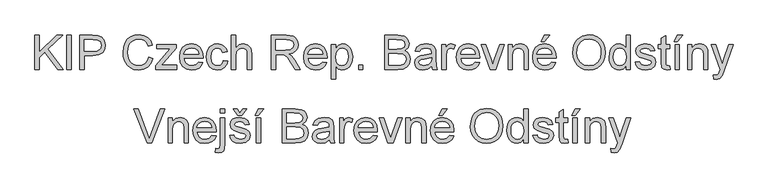
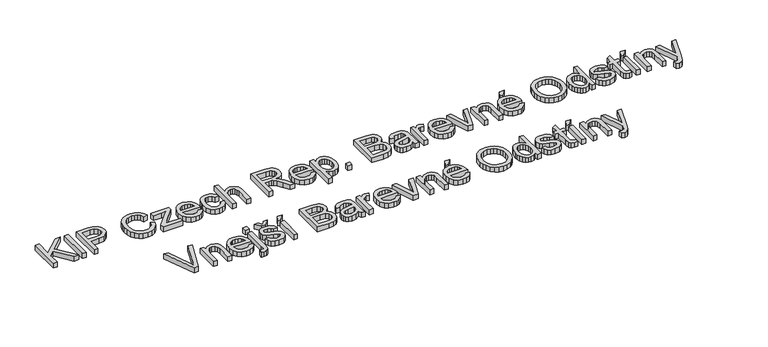
"""IFC4 building model written with IfcOpenShell, lengths in millimetres: proxy geometry."""

from ifc_helpers import new_model, si_unit, origin, origin_with_axes, place, context, project, spatial, polyline, outline, extrude, source, transform, mapped, element, save


def generic_models_737c64e8(model_context):
    return source(origin(), model_context, "Body", "SweptSolid", [
        extrude(outline(polyline([(-1036.2132158, 2253.480545), (-1096.1411928, 2404.1650102), (-1075.9812595, 2404.1650102), (-1035.8453338, 2295.6030335), (-1027.7151417, 2271.1388808), (-1019.6953142, 2295.6030335), (-979.449024, 2404.1650102), (-959.3258788, 2404.1650102), (-1016.7890465, 2253.480545), (-1036.2132158, 2253.480545)])), origin_with_axes(), (0.0, 0.0, 1.0), 25.0),
        extrude(outline(polyline([(-944.1323524, 2253.480545), (-944.1323524, 2364.1394492), (-925.2967943, 2364.1394492), (-925.2967943, 2348.6884054), (-910.8942142, 2362.0425218), (-891.2309215, 2366.4938939), (-873.443827, 2362.9070445), (-861.3037212, 2353.4892654), (-855.6567326, 2339.6385083), (-854.6634512, 2321.4283495), (-854.6634512, 2253.480545), (-873.4990093, 2253.480545), (-873.4990093, 2318.8899637), (-875.6695131, 2335.5550181), (-883.3398527, 2344.3657919), (-896.2709048, 2347.6583358), (-907.3027662, 2345.8097287), (-916.7067497, 2340.2639077), (-923.1492831, 2329.5493446), (-925.2967943, 2312.1945114), (-925.2967943, 2253.480545), (-944.1323524, 2253.480545)])), origin_with_axes(), (0.0, 0.0, 1.0), 25.0),
        extrude(outline(polyline([(-737.1251537, 2211.0269628), (-733.1888164, 2228.9428159), (-724.5068013, 2227.5816525), (-716.15588, 2231.3156548), (-713.396765, 2249.985666), (-713.396765, 2364.1394492), (-694.5612069, 2364.1394492), (-694.5612069, 2247.5576449), (-695.8947791, 2230.2671911), (-699.8954958, 2219.1571549), (-708.9086047, 2211.3488595), (-722.4098739, 2208.7460944), (-737.1251537, 2211.0269628)])), origin_with_axes(), (0.0, 0.0, 1.0), 25.0),
        extrude(outline(polyline([(-713.396765, 2385.3294521), (-713.396765, 2404.1650102), (-694.5612069, 2404.1650102), (-694.5612069, 2385.3294521), (-713.396765, 2385.3294521)])), origin_with_axes(), (0.0, 0.0, 1.0), 25.0),
        extrude(outline(polyline([(-751.2886106, 2286.4427718), (-732.8209344, 2284.088327), (-739.475, 2270.1731905), (-750.0929941, 2259.7713271), (-764.4357934, 2253.287407), (-782.2642745, 2251.1261002), (-804.3647854, 2254.855504), (-821.3701306, 2266.0437151), (-832.2134524, 2283.9641668), (-835.827893, 2307.8902921), (-832.1766642, 2332.6211592), (-821.2229778, 2351.1164265), (-804.4475589, 2362.6495271), (-783.3311323, 2366.4938939), (-762.8722949, 2362.6587241), (-746.5245387, 2351.1532147), (-735.8053771, 2332.6947356), (-732.2323232, 2308.0006567), (-732.3426878, 2302.9238852), (-816.9923349, 2302.9238852), (-813.7319807, 2288.8248077), (-806.1582101, 2278.4597325), (-795.2275163, 2272.0861769), (-781.8963925, 2269.9616584), (-763.4287164, 2273.8979957), (-751.2886106, 2286.4427718)]), holes=[polyline([(-816.9923349, 2321.7594433), (-751.0678814, 2321.7594433), (-753.6154642, 2331.7106513), (-758.6094623, 2338.8291679), (-769.5907398, 2345.4510438), (-783.4047087, 2347.6583358), (-796.1012361, 2345.8971007), (-806.5996685, 2340.6133956), (-813.8975276, 2332.3774374), (-816.9923349, 2321.7594433)])]), origin_with_axes(), (0.0, 0.0, 1.0), 25.0),
        extrude(outline(polyline([(-673.371204, 2286.4427718), (-654.5356458, 2288.7972165), (-651.5649987, 2280.7406008), (-645.8168425, 2274.8177007), (-625.8408502, 2269.9616584), (-606.63741, 2274.4130305), (-600.3834161, 2284.8608792), (-601.9561117, 2289.6617392), (-606.6741982, 2293.3221651), (-626.0615794, 2298.6932422), (-654.4252812, 2307.9086862), (-666.8045104, 2318.6692345), (-671.0167592, 2333.8627609), (-667.6322448, 2347.8974591), (-658.3984068, 2358.6212192), (-646.4238478, 2364.1946315), (-630.2186459, 2366.4938939), (-607.2995976, 2362.7966799), (-592.7314706, 2352.7902896), (-586.2567475, 2335.8861119), (-605.0923057, 2333.5316672), (-612.1740341, 2343.9243335), (-628.747118, 2347.6583358), (-646.7733357, 2344.0898804), (-652.181201, 2335.7757473), (-649.9371209, 2330.2943056), (-642.9105748, 2326.1372391), (-626.6869788, 2322.1273253), (-599.0406468, 2313.2613692), (-586.2015652, 2303.2181908), (-581.547858, 2286.847442), (-587.0109056, 2268.8212242), (-602.7746491, 2255.7430193), (-626.0983676, 2251.1261002), (-645.0902756, 2253.3517863), (-658.9502298, 2260.0288445), (-668.2024619, 2271.0836985), (-673.371204, 2286.4427718)])), origin_with_axes(), (0.0, 0.0, 1.0), 25.0),
        extrude(outline(polyline([(-628.6367534, 2385.3294521), (-615.6873071, 2404.1650102), (-596.851749, 2404.1650102), (-619.2189743, 2375.911673), (-638.0545324, 2375.911673), (-658.067313, 2404.1650102), (-639.2317548, 2404.1650102), (-628.6367534, 2385.3294521)])), origin_with_axes(), (0.0, 0.0, 1.0), 25.0),
        extrude(outline(polyline([(-555.6489655, 2253.480545), (-555.6489655, 2364.1394492), (-536.8134074, 2364.1394492), (-536.8134074, 2253.480545), (-555.6489655, 2253.480545)])), origin_with_axes(), (0.0, 0.0, 1.0), 25.0),
        extrude(outline(polyline([(-560.3578551, 2375.911673), (-546.2311864, 2404.1650102), (-522.6867387, 2404.1650102), (-546.2311864, 2375.911673), (-560.3578551, 2375.911673)])), origin_with_axes(), (0.0, 0.0, 1.0), 25.0),
        extrude(outline(polyline([(-440.2811718, 2253.480545), (-440.2811718, 2404.1650102), (-382.781216, 2404.1650102), (-354.6198493, 2399.7320322), (-345.1560849, 2394.1080362), (-337.9915831, 2386.1020043), (-331.9767124, 2366.8249877), (-337.0350899, 2349.2218342), (-352.3205868, 2335.8861119), (-341.6474104, 2330.3126997), (-333.7609401, 2321.8330197), (-328.8911022, 2311.008092), (-327.2678229, 2298.3989366), (-331.700801, 2278.1470328), (-342.6820785, 2263.7260586), (-359.0712214, 2256.0741131), (-383.2226744, 2253.480545), (-440.2811718, 2253.480545)]), holes=[polyline([(-421.4456137, 2342.9494462), (-387.0486471, 2342.9494462), (-366.9622902, 2344.568127), (-354.8773666, 2351.5394908), (-350.8122706, 2363.8083554), (-354.6014552, 2376.095614), (-365.453974, 2383.3612834), (-389.6606093, 2385.3294521), (-421.4456137, 2385.3294521), (-421.4456137, 2342.9494462)]), polyline([(-421.4456137, 2272.3161032), (-382.8180042, 2272.3161032), (-368.8384884, 2273.0518671), (-357.0110822, 2277.1537514), (-349.1751957, 2285.5230668), (-346.1033811, 2298.2149956), (-349.7086246, 2312.856699), (-361.388878, 2321.5938964), (-384.6574142, 2324.1138881), (-421.4456137, 2324.1138881), (-421.4456137, 2272.3161032)])]), origin_with_axes(), (0.0, 0.0, 1.0), 25.0),
        extrude(outline(polyline([(-233.0900321, 2267.6072136), (-251.3553732, 2254.8417084), (-271.5337006, 2251.1261002), (-287.2744515, 2253.3609834), (-298.885727, 2260.0656327), (-306.0456303, 2270.2467669), (-308.4322648, 2282.9111046), (-304.8270212, 2297.8103254), (-295.3540598, 2308.6260561), (-282.1654903, 2314.8064736), (-265.8683179, 2317.639165), (-233.2003967, 2324.1138881), (-233.0900321, 2328.3077428), (-234.3868162, 2336.7138464), (-238.2771683, 2342.2136822), (-246.9775775, 2346.2971724), (-259.0992892, 2347.6583358), (-278.1555766, 2344.0346981), (-287.2422618, 2331.1772224), (-306.07782, 2333.5316672), (-297.9292338, 2351.9257669), (-281.5216968, 2362.7047094), (-256.671268, 2366.4938939), (-233.8441902, 2363.1461678), (-220.9499263, 2354.7400642), (-215.174179, 2341.9561648), (-214.254474, 2325.4750515), (-214.254474, 2302.0409684), (-213.2979808, 2269.3178649), (-209.5455845, 2253.480545), (-228.3811426, 2253.480545), (-233.0900321, 2267.6072136)]), holes=[polyline([(-233.0900321, 2305.2783299), (-263.4770849, 2299.5025826), (-279.6822868, 2296.449162), (-287.0215326, 2291.4827551), (-289.5967066, 2284.2354798), (-283.9865062, 2274.0451485), (-267.5237869, 2269.9616584), (-248.4674995, 2274.4682128), (-236.1802409, 2285.375914), (-233.2003967, 2299.944041), (-233.0900321, 2305.2783299)])]), origin_with_axes(), (0.0, 0.0, 1.0), 25.0),
        extrude(outline(polyline([(-188.3555815, 2253.480545), (-188.3555815, 2364.1394492), (-171.8744681, 2364.1394492), (-171.8744681, 2347.7687004), (-160.1758207, 2362.8518622), (-148.4035969, 2366.4938939), (-129.4944623, 2360.6813584), (-135.7852444, 2343.7955748), (-149.0289962, 2347.6583358), (-159.67918, 2343.9427276), (-166.4666028, 2333.6420318), (-169.5200234, 2311.6426884), (-169.5200234, 2253.480545), (-188.3555815, 2253.480545)])), origin_with_axes(), (0.0, 0.0, 1.0), 25.0),
        extrude(outline(polyline([(-40.2462903, 2286.4427718), (-21.7786141, 2284.088327), (-28.4326797, 2270.1731905), (-39.0506738, 2259.7713271), (-53.3934731, 2253.287407), (-71.2219543, 2251.1261002), (-93.3224651, 2254.855504), (-110.3278104, 2266.0437151), (-121.1711322, 2283.9641668), (-124.7855728, 2307.8902921), (-121.134344, 2332.6211592), (-110.1806576, 2351.1164265), (-93.4052386, 2362.6495271), (-72.2888121, 2366.4938939), (-51.8299746, 2362.6587241), (-35.4822184, 2351.1532147), (-24.7630568, 2332.6947356), (-21.1900029, 2308.0006567), (-21.3003675, 2302.9238852), (-105.9500146, 2302.9238852), (-102.6896604, 2288.8248077), (-95.1158899, 2278.4597325), (-84.1851961, 2272.0861769), (-70.8540723, 2269.9616584), (-52.3863961, 2273.8979957), (-40.2462903, 2286.4427718)]), holes=[polyline([(-105.9500146, 2321.7594433), (-40.0255611, 2321.7594433), (-42.5731439, 2331.7106513), (-47.567142, 2338.8291679), (-58.5484195, 2345.4510438), (-72.3623885, 2347.6583358), (-85.0589158, 2345.8971007), (-95.5573482, 2340.6133956), (-102.8552073, 2332.3774374), (-105.9500146, 2321.7594433)])]), origin_with_axes(), (0.0, 0.0, 1.0), 25.0),
        extrude(outline(polyline([(24.8688229, 2253.480545), (-14.1266686, 2364.1394492), (5.7757473, 2364.1394492), (29.3937714, 2297.8471136), (36.4938939, 2275.5534647), (43.4468636, 2296.5963148), (67.1752523, 2364.1394492), (87.1144565, 2364.1394492), (48.670788, 2253.480545), (24.8688229, 2253.480545)])), origin_with_axes(), (0.0, 0.0, 1.0), 25.0),
        extrude(outline(polyline([(103.5955698, 2253.480545), (103.5955698, 2364.1394492), (122.431128, 2364.1394492), (122.431128, 2348.6884054), (136.8337081, 2362.0425218), (156.4970007, 2366.4938939), (174.2840952, 2362.9070445), (186.4242011, 2353.4892654), (192.0711897, 2339.6385083), (193.0644711, 2321.4283495), (193.0644711, 2253.480545), (174.2289129, 2253.480545), (174.2289129, 2318.8899637), (172.0584091, 2335.5550181), (164.3880695, 2344.3657919), (151.4570174, 2347.6583358), (140.4251561, 2345.8097287), (131.0211726, 2340.2639077), (124.5786391, 2329.5493446), (122.431128, 2312.1945114), (122.431128, 2253.480545), (103.5955698, 2253.480545)])), origin_with_axes(), (0.0, 0.0, 1.0), 25.0),
        extrude(outline(polyline([(296.4393117, 2286.4427718), (314.9069879, 2284.088327), (308.2529223, 2270.1731905), (297.6349282, 2259.7713271), (283.2921289, 2253.287407), (265.4636477, 2251.1261002), (243.3631369, 2254.855504), (226.3577916, 2266.0437151), (215.5144698, 2283.9641668), (211.9000292, 2307.8902921), (215.551258, 2332.6211592), (226.5049444, 2351.1164265), (243.2803634, 2362.6495271), (264.3967899, 2366.4938939), (284.8556274, 2362.6587241), (301.2033836, 2351.1532147), (311.9225452, 2332.6947356), (315.4955991, 2308.0006567), (315.3852345, 2302.9238852), (230.7355874, 2302.9238852), (233.9959416, 2288.8248077), (241.5697121, 2278.4597325), (252.5004059, 2272.0861769), (265.8315297, 2269.9616584), (284.2992059, 2273.8979957), (296.4393117, 2286.4427718)]), holes=[polyline([(230.7355874, 2321.7594433), (296.6600409, 2321.7594433), (294.1124581, 2331.7106513), (289.11846, 2338.8291679), (278.1371825, 2345.4510438), (264.3232135, 2347.6583358), (251.6266862, 2345.8971007), (241.1282537, 2340.6133956), (233.8303947, 2332.3774374), (230.7355874, 2321.7594433)])]), origin_with_axes(), (0.0, 0.0, 1.0), 25.0),
        extrude(outline(polyline([(249.5711455, 2375.911673), (263.6978141, 2404.1650102), (287.2422618, 2404.1650102), (263.6978141, 2375.911673), (249.5711455, 2375.911673)])), origin_with_axes(), (0.0, 0.0, 1.0), 25.0),
        extrude(outline(polyline([(388.4833869, 2326.8362148), (393.5049761, 2360.1571266), (399.7819627, 2373.7756582), (408.5697438, 2385.3662403), (431.5715656, 2401.2311513), (460.404317, 2406.519455), (480.1687772, 2404.0362515), (497.8914923, 2396.5866411), (512.6067721, 2384.6948556), (523.3489263, 2368.8851269), (529.91562, 2349.92081), (532.1045178, 2328.5652602), (529.8006568, 2306.9246019), (522.8890738, 2287.6935706), (511.7514464, 2271.8562507), (496.7694522, 2260.3967265), (479.1984884, 2253.4437568), (460.2939524, 2251.1261002), (440.2259895, 2253.6874786), (422.4021069, 2261.3716138), (407.7236153, 2273.4841285), (397.0918256, 2289.3306454), (390.6354966, 2307.5637968), (388.4833869, 2326.8362148)]), holes=[polyline([(407.3189451, 2326.6522738), (411.085137, 2303.080235), (422.3837128, 2285.1183966), (439.3660654, 2273.7508429), (460.1835878, 2269.9616584), (481.3046128, 2273.7876311), (498.3145566, 2285.2655494), (509.5303589, 2303.7792108), (513.2689597, 2328.712413), (511.668673, 2345.3866644), (506.867813, 2359.7984416), (498.9905397, 2371.584461), (488.1610135, 2380.3814392), (475.0966041, 2385.8582824), (460.5146816, 2387.6838968), (440.2535807, 2384.1660253), (423.0275063, 2373.6124105), (411.2460854, 2354.8366332), (407.3189451, 2326.6522738)])]), origin_with_axes(), (0.0, 0.0, 1.0), 25.0),
        extrude(outline(polyline([(623.9278638, 2253.480545), (623.9278638, 2271.2492454), (611.4658612, 2256.1568865), (594.2397868, 2251.1261002), (582.0628928, 2252.9471161), (570.9160683, 2258.4101637), (561.4798951, 2267.1335655), (554.4349549, 2278.735644), (550.0479621, 2292.7473495), (548.5856312, 2308.6996325), (553.9751024, 2338.6820151), (560.7073429, 2350.5738006), (570.125122, 2359.320195), (581.5156683, 2364.7004692), (594.1662104, 2366.4938939), (611.5302406, 2361.3619401), (623.9278638, 2348.0262178), (623.9278638, 2404.1650102), (642.763422, 2404.1650102), (642.763422, 2253.480545), (623.9278638, 2253.480545)]), holes=[polyline([(567.4211894, 2308.7732089), (569.5457079, 2291.735674), (575.9192634, 2279.6185608), (585.1806927, 2272.375884), (595.9688322, 2269.9616584), (606.7523732, 2272.2655194), (615.7792776, 2279.1771024), (621.8907173, 2290.825166), (623.9278638, 2307.3384691), (621.8539291, 2325.392278), (615.6321248, 2337.9094629), (606.3752941, 2345.2211176), (595.19628, 2347.6583358), (584.2977759, 2345.3176866), (575.3674405, 2338.295739), (569.4077521, 2326.2338081), (567.4211894, 2308.7732089)])]), origin_with_axes(), (0.0, 0.0, 1.0), 25.0),
        extrude(outline(polyline([(663.9534249, 2286.4427718), (682.788983, 2288.7972165), (685.7596302, 2280.7406008), (691.5077863, 2274.8177007), (711.4837787, 2269.9616584), (730.6872188, 2274.4130305), (736.9412127, 2284.8608792), (735.3685172, 2289.6617392), (730.6504306, 2293.3221651), (711.2630495, 2298.6932422), (682.8993476, 2307.9086862), (670.5201185, 2318.6692345), (666.3078697, 2333.8627609), (669.692384, 2347.8974591), (678.9262221, 2358.6212192), (690.900781, 2364.1946315), (707.1059829, 2366.4938939), (730.0250312, 2362.7966799), (744.5931582, 2352.7902896), (751.0678814, 2335.8861119), (732.2323232, 2333.5316672), (725.1505948, 2343.9243335), (708.5775109, 2347.6583358), (690.5512931, 2344.0898804), (685.1434278, 2335.7757473), (687.387508, 2330.2943056), (694.4140541, 2326.1372391), (710.6376501, 2322.1273253), (738.283982, 2313.2613692), (751.1230637, 2303.2181908), (755.7767709, 2286.847442), (750.3137233, 2268.8212242), (734.5499798, 2255.7430193), (711.2262613, 2251.1261002), (692.2343533, 2253.3517863), (678.3743991, 2260.0288445), (669.1221669, 2271.0836985), (663.9534249, 2286.4427718)])), origin_with_axes(), (0.0, 0.0, 1.0), 25.0),
        extrude(outline(polyline([(816.9923349, 2269.1891062), (819.3467797, 2252.928722), (805.2568992, 2251.1261002), (789.4747616, 2254.2530972), (781.602087, 2262.4568657), (779.3212186, 2283.8308096), (779.3212186, 2345.303891), (765.19455, 2345.303891), (765.19455, 2364.1394492), (779.3212186, 2364.1394492), (779.3212186, 2391.031623), (798.1567767, 2402.1048711), (798.1567767, 2364.1394492), (816.9923349, 2364.1394492), (816.9923349, 2345.303891), (798.1567767, 2345.303891), (798.1567767, 2284.3826326), (799.1500581, 2274.6705479), (802.3690256, 2271.2308513), (808.7885664, 2269.9616584), (816.9923349, 2269.1891062)])), origin_with_axes(), (0.0, 0.0, 1.0), 25.0),
        extrude(outline(polyline([(840.5367826, 2253.480545), (840.5367826, 2364.1394492), (859.3723407, 2364.1394492), (859.3723407, 2253.480545), (840.5367826, 2253.480545)])), origin_with_axes(), (0.0, 0.0, 1.0), 25.0),
        extrude(outline(polyline([(835.827893, 2375.911673), (849.9545617, 2404.1650102), (873.4990093, 2404.1650102), (849.9545617, 2375.911673), (835.827893, 2375.911673)])), origin_with_axes(), (0.0, 0.0, 1.0), 25.0),
        extrude(outline(polyline([(894.6890123, 2253.480545), (894.6890123, 2364.1394492), (913.5245704, 2364.1394492), (913.5245704, 2348.6884054), (927.9271505, 2362.0425218), (947.5904432, 2366.4938939), (965.3775376, 2362.9070445), (977.5176435, 2353.4892654), (983.1646321, 2339.6385083), (984.1579135, 2321.4283495), (984.1579135, 2253.480545), (965.3223553, 2253.480545), (965.3223553, 2318.8899637), (963.1518516, 2335.5550181), (955.481512, 2344.3657919), (942.5504598, 2347.6583358), (931.5185985, 2345.8097287), (922.114615, 2340.2639077), (915.6720816, 2329.5493446), (913.5245704, 2312.1945114), (913.5245704, 2253.480545), (894.6890123, 2253.480545)])), origin_with_axes(), (0.0, 0.0, 1.0), 25.0),
        extrude(outline(polyline([(1010.056806, 2211.1005392), (1007.7023612, 2229.2371215), (1017.2672931, 2227.5816525), (1026.2068255, 2229.6601858), (1031.6882673, 2235.4543272), (1036.8386152, 2249.3234785), (1038.3101432, 2253.8852152), (998.2845821, 2364.1394492), (1018.1134217, 2364.1394492), (1039.377001, 2302.6663678), (1046.7714291, 2278.0918505), (1054.1658572, 2299.8336764), (1075.9812595, 2364.1394492), (1095.6629462, 2364.1394492), (1057.1457013, 2250.8317946), (1047.1393111, 2226.2572774), (1036.2132158, 2212.9767373), (1021.5715124, 2208.7460944), (1010.056806, 2211.1005392)])), origin_with_axes(), (0.0, 0.0, 1.0), 25.0),
        extrude(outline(polyline([(-1531.5663223, 2578.480545), (-1531.5663223, 2729.1650102), (-1512.7307642, 2729.1650102), (-1512.7307642, 2655.4046702), (-1435.4755452, 2729.1650102), (-1409.1351943, 2729.1650102), (-1474.0295783, 2667.2136822), (-1406.7807496, 2578.480545), (-1429.8101625, 2578.480545), (-1487.3836947, 2654.4849652), (-1512.7307642, 2630.2783299), (-1512.7307642, 2578.480545), (-1531.5663223, 2578.480545)])), origin_with_axes(), (0.0, 0.0, 1.0), 25.0),
        extrude(outline(polyline([(-1390.2996362, 2578.480545), (-1390.2996362, 2729.1650102), (-1371.464078, 2729.1650102), (-1371.464078, 2578.480545), (-1390.2996362, 2578.480545)])), origin_with_axes(), (0.0, 0.0, 1.0), 25.0),
        extrude(outline(polyline([(-1333.7929617, 2578.480545), (-1333.7929617, 2729.1650102), (-1277.9484748, 2729.1650102), (-1255.4340967, 2727.7302704), (-1237.1319675, 2720.6853302), (-1225.2677731, 2706.1172032), (-1220.7796128, 2685.5709938), (-1223.8100407, 2667.8114905), (-1232.9013245, 2653.0134372), (-1249.9020712, 2643.0254411), (-1276.6608879, 2639.696109), (-1314.9574036, 2639.696109), (-1314.9574036, 2578.480545), (-1333.7929617, 2578.480545)]), holes=[polyline([(-1314.9574036, 2658.5316672), (-1275.5572419, 2658.5316672), (-1258.8553993, 2660.2607125), (-1247.8189394, 2665.4478487), (-1241.6661131, 2673.7711788), (-1239.6151709, 2684.9088062), (-1244.4528192, 2700.5070028), (-1257.1631421, 2709.0418651), (-1275.9987003, 2710.3294521), (-1314.9574036, 2710.3294521), (-1314.9574036, 2658.5316672)])]), origin_with_axes(), (0.0, 0.0, 1.0), 25.0),
        extrude(outline(polyline([(-1030.0695865, 2632.0441635), (-1011.2340283, 2627.1881212), (-1019.9252405, 2605.2393616), (-1033.5644654, 2589.2043052), (-1051.4803186, 2579.3956515), (-1073.0014153, 2576.1261002), (-1094.8490073, 2578.6001067), (-1112.1992419, 2586.0221259), (-1125.498176, 2598.1346406), (-1135.1918666, 2614.6801333), (-1141.1101682, 2634.1318938), (-1143.0829354, 2654.9632118), (-1140.8526508, 2676.934964), (-1134.161797, 2695.9084779), (-1123.3598619, 2711.2813467), (-1108.7963335, 2722.4511638), (-1091.5242738, 2729.2523822), (-1072.5967451, 2731.519455), (-1051.9447696, 2728.5855961), (-1034.8704465, 2719.7840194), (-1021.9072047, 2705.6573507), (-1013.5884731, 2686.7482162), (-1032.4240313, 2682.2600558), (-1038.9539367, 2695.9958498), (-1047.8750751, 2705.4182274), (-1059.297811, 2710.8674795), (-1073.3325091, 2712.6838968), (-1089.5101199, 2710.6697429), (-1102.7998569, 2704.6272811), (-1112.8844221, 2695.191108), (-1119.4465172, 2682.9958198), (-1124.2473773, 2655.0), (-1122.8264331, 2637.5991816), (-1118.5636004, 2622.552808), (-1111.297931, 2610.4356948), (-1100.8684765, 2601.8226576), (-1088.3650872, 2596.6769082), (-1074.8776135, 2594.9616584), (-1059.1552567, 2597.2977091), (-1046.0540592, 2604.3058611), (-1036.162632, 2615.912538), (-1030.0695865, 2632.0441635)])), origin_with_axes(), (0.0, 0.0, 1.0), 25.0),
        extrude(outline(polyline([(-999.4618045, 2578.480545), (-999.4618045, 2596.2124572), (-934.4570559, 2670.303891), (-953.6972843, 2670.303891), (-994.752915, 2670.303891), (-994.752915, 2689.1394492), (-907.6384585, 2689.1394492), (-907.6384585, 2673.1365824), (-965.2855671, 2607.3960698), (-974.114735, 2597.3161032), (-952.3361209, 2597.3161032), (-905.2840137, 2597.3161032), (-905.2840137, 2578.480545), (-999.4618045, 2578.480545)])), origin_with_axes(), (0.0, 0.0, 1.0), 25.0),
        extrude(outline(polyline([(-808.9725074, 2611.4427718), (-790.5048312, 2609.088327), (-797.1588968, 2595.1731905), (-807.7768909, 2584.7713271), (-822.1196902, 2578.287407), (-839.9481714, 2576.1261002), (-862.0486822, 2579.855504), (-879.0540275, 2591.0437151), (-889.8973493, 2608.9641668), (-893.5117899, 2632.8902921), (-889.8605611, 2657.6211592), (-878.9068747, 2676.1164265), (-862.1314557, 2687.6495271), (-841.0150292, 2691.4938939), (-820.5561917, 2687.6587241), (-804.2084356, 2676.1532147), (-793.4892739, 2657.6947356), (-789.91622, 2633.0006567), (-790.0265846, 2627.9238852), (-874.6762317, 2627.9238852), (-871.4158776, 2613.8248077), (-863.842107, 2603.4597325), (-852.9114132, 2597.0861769), (-839.5802894, 2594.9616584), (-821.1126132, 2598.8979957), (-808.9725074, 2611.4427718)]), holes=[polyline([(-874.6762317, 2646.7594433), (-808.7517782, 2646.7594433), (-811.299361, 2656.7106513), (-816.2933591, 2663.8291679), (-827.2746367, 2670.4510438), (-841.0886056, 2672.6583358), (-853.7851329, 2670.8971007), (-864.2835654, 2665.6133956), (-871.5814244, 2657.3774374), (-874.6762317, 2646.7594433)])]), origin_with_axes(), (0.0, 0.0, 1.0), 25.0),
        extrude(outline(polyline([(-700.4473188, 2618.5061061), (-681.6117607, 2616.1516613), (-686.8632761, 2599.399235), (-696.7317107, 2586.7394958), (-710.2881622, 2578.7794491), (-726.6037287, 2576.1261002), (-746.6395018, 2579.8279128), (-762.3066763, 2590.9333505), (-772.4188326, 2608.9549698), (-775.7895514, 2633.4053269), (-774.3502131, 2650.1669503), (-770.0321982, 2664.6936906), (-762.7665288, 2676.4245277), (-752.484227, 2684.7984416), (-740.1831728, 2689.8200308), (-726.8612461, 2691.4938939), (-710.9457513, 2689.1946315), (-698.2216327, 2682.296844), (-689.0935607, 2671.1684137), (-683.9662054, 2656.1772224), (-702.8017636, 2653.8227776), (-711.538961, 2667.9310521), (-726.7140933, 2672.6583358), (-738.8863888, 2670.3314821), (-748.5478897, 2663.3509213), (-754.8524674, 2651.3395741), (-756.9539933, 2633.9203617), (-754.8984526, 2616.2666244), (-748.7318307, 2604.2138906), (-739.2450737, 2597.2747164), (-727.2291281, 2594.9616584), (-717.4756567, 2596.4055952), (-709.4788218, 2600.7374057), (-703.6616877, 2608.0674545), (-700.4473188, 2618.5061061)])), origin_with_axes(), (0.0, 0.0, 1.0), 25.0),
        extrude(outline(polyline([(-665.1306473, 2578.480545), (-665.1306473, 2729.1650102), (-646.2950891, 2729.1650102), (-646.2950891, 2673.7619818), (-631.6074005, 2687.0609159), (-613.5168034, 2691.4938939), (-592.3635886, 2686.6562457), (-579.524507, 2673.2837352), (-575.6617461, 2648.5252769), (-575.6617461, 2578.480545), (-594.4973042, 2578.480545), (-594.4973042, 2646.5755023), (-595.9964233, 2658.3661203), (-600.4937807, 2666.4411301), (-607.741056, 2671.1040343), (-617.4899289, 2672.6583358), (-632.9225786, 2668.464481), (-643.2232745, 2657.0969274), (-646.2950891, 2637.2680878), (-646.2950891, 2578.480545), (-665.1306473, 2578.480545)])), origin_with_axes(), (0.0, 0.0, 1.0), 25.0),
        extrude(outline(polyline([(-488.5472896, 2578.480545), (-488.5472896, 2729.1650102), (-423.6161174, 2729.1650102), (-393.4681879, 2725.0999142), (-384.1883646, 2719.4713197), (-376.9870746, 2710.7157282), (-372.365557, 2699.8586108), (-370.8250511, 2687.9254386), (-373.3772325, 2673.0814001), (-381.0337765, 2660.7757473), (-394.0246095, 2651.7534414), (-412.5796576, 2646.7594433), (-401.8742915, 2638.7028276), (-386.6071887, 2619.3154465), (-361.4808485, 2578.480545), (-383.3698272, 2578.480545), (-402.9779375, 2609.7137264), (-417.1413943, 2630.3886945), (-427.0926023, 2640.1559615), (-436.0505289, 2643.7428109), (-446.9766241, 2644.4049985), (-469.7117314, 2644.4049985), (-469.7117314, 2578.480545), (-488.5472896, 2578.480545)]), holes=[polyline([(-469.7117314, 2663.2405567), (-427.5524548, 2663.2405567), (-406.0497522, 2665.9077012), (-393.8360699, 2674.4425634), (-389.6606093, 2687.2264628), (-391.6517706, 2696.4143156), (-397.6252545, 2703.8179408), (-407.9029577, 2708.7015742), (-422.8067771, 2710.3294521), (-469.7117314, 2710.3294521), (-469.7117314, 2663.2405567)])]), origin_with_axes(), (0.0, 0.0, 1.0), 25.0),
        extrude(outline(polyline([(-262.741321, 2611.4427718), (-244.2736448, 2609.088327), (-250.9277104, 2595.1731905), (-261.5457045, 2584.7713271), (-275.8885038, 2578.287407), (-293.7169849, 2576.1261002), (-315.8174958, 2579.855504), (-332.822841, 2591.0437151), (-343.6661628, 2608.9641668), (-347.2806034, 2632.8902921), (-343.6293746, 2657.6211592), (-332.6756882, 2676.1164265), (-315.9002693, 2687.6495271), (-294.7838427, 2691.4938939), (-274.3250053, 2687.6587241), (-257.9772491, 2676.1532147), (-247.2580875, 2657.6947356), (-243.6850336, 2633.0006567), (-243.7953982, 2627.9238852), (-328.4450453, 2627.9238852), (-325.1846911, 2613.8248077), (-317.6109205, 2603.4597325), (-306.6802268, 2597.0861769), (-293.349103, 2594.9616584), (-274.8814268, 2598.8979957), (-262.741321, 2611.4427718)]), holes=[polyline([(-328.4450453, 2646.7594433), (-262.5205918, 2646.7594433), (-265.0681746, 2656.7106513), (-270.0621727, 2663.8291679), (-281.0434502, 2670.4510438), (-294.8574191, 2672.6583358), (-307.5539465, 2670.8971007), (-318.0523789, 2665.6133956), (-325.350238, 2657.3774374), (-328.4450453, 2646.7594433)])]), origin_with_axes(), (0.0, 0.0, 1.0), 25.0),
        extrude(outline(polyline([(-224.8494755, 2536.1005392), (-224.8494755, 2689.1394492), (-206.0139173, 2689.1394492), (-206.0139173, 2670.671773), (-192.9908947, 2686.2883637), (-175.4061353, 2691.4938939), (-162.6682212, 2689.672878), (-151.5305938, 2684.2098304), (-142.4623026, 2675.4358448), (-135.9323972, 2663.6820151), (-130.6716847, 2634.6561257), (-132.1570082, 2618.5474928), (-136.6129789, 2604.1403142), (-143.8970424, 2592.1657552), (-153.8666445, 2583.3549814), (-165.47792, 2577.9333205), (-177.6870037, 2576.1261002), (-194.0761466, 2580.9637485), (-206.0139173, 2593.1958248), (-206.0139173, 2536.1005392), (-224.8494755, 2536.1005392)]), holes=[polyline([(-206.0139173, 2632.9270803), (-203.9767708, 2616.0412967), (-197.8653311, 2604.2322847), (-188.8476237, 2597.279315), (-178.0916739, 2594.9616584), (-167.1609801, 2597.3620884), (-157.9133464, 2604.5633785), (-151.6087687, 2616.8046519), (-149.5072428, 2634.3250319), (-151.558185, 2651.118845), (-157.7110113, 2663.0934039), (-166.7149232, 2670.2671028), (-177.3191217, 2672.6583358), (-187.9647069, 2670.1153515), (-197.3135081, 2662.4863986), (-203.838815, 2650.0106004), (-206.0139173, 2632.9270803)])]), origin_with_axes(), (0.0, 0.0, 1.0), 25.0),
        extrude(outline(polyline([(-104.7727922, 2578.480545), (-104.7727922, 2597.3161032), (-85.9372341, 2597.3161032), (-85.9372341, 2578.480545), (-104.7727922, 2578.480545)])), origin_with_axes(), (0.0, 0.0, 1.0), 25.0),
        extrude(outline(polyline([(10.5950015, 2578.480545), (10.5950015, 2729.1650102), (68.0949573, 2729.1650102), (96.256324, 2724.7320322), (105.7200884, 2719.1080362), (112.8845902, 2711.1020043), (118.8994608, 2691.8249877), (113.8410834, 2674.2218342), (98.5555865, 2660.8861119), (109.2287629, 2655.3126997), (117.1152332, 2646.8330197), (121.9850711, 2636.008092), (123.6083504, 2623.3989366), (119.1753723, 2603.1470328), (108.1940948, 2588.7260586), (91.8049519, 2581.0741131), (67.6534989, 2578.480545), (10.5950015, 2578.480545)]), holes=[polyline([(29.4305596, 2597.3161032), (68.0581691, 2597.3161032), (82.0376849, 2598.0518671), (93.8650911, 2602.1537514), (101.7009776, 2610.5230668), (104.7727922, 2623.2149956), (101.1675487, 2637.856699), (89.4872953, 2646.5938964), (66.2187591, 2649.1138881), (29.4305596, 2649.1138881), (29.4305596, 2597.3161032)]), polyline([(29.4305596, 2667.9494462), (63.8275262, 2667.9494462), (83.9138831, 2669.568127), (95.9988066, 2676.5394908), (100.0639027, 2688.8083554), (96.2747181, 2701.095614), (85.4221993, 2708.3612834), (61.215564, 2710.3294521), (29.4305596, 2710.3294521), (29.4305596, 2667.9494462)])]), origin_with_axes(), (0.0, 0.0, 1.0), 25.0),
        extrude(outline(polyline([(217.7861411, 2592.6072136), (199.5208001, 2579.8417084), (179.3424726, 2576.1261002), (163.6017218, 2578.3609834), (151.9904463, 2585.0656327), (144.830543, 2595.2467669), (142.4439085, 2607.9111046), (146.0491521, 2622.8103254), (155.5221135, 2633.6260561), (168.710683, 2639.8064736), (185.0078554, 2642.639165), (217.6757765, 2649.1138881), (217.7861411, 2653.3077428), (216.4893571, 2661.7138464), (212.599005, 2667.2136822), (203.8985958, 2671.2971724), (191.7768841, 2672.6583358), (172.7205967, 2669.0346981), (163.6339115, 2656.1772224), (144.7983533, 2658.5316672), (152.9469395, 2676.9257669), (169.3544765, 2687.7047094), (194.2049053, 2691.4938939), (217.0319831, 2688.1461678), (229.926247, 2679.7400642), (235.7019943, 2666.9561648), (236.6216993, 2650.4750515), (236.6216993, 2627.0409684), (237.5781925, 2594.3178649), (241.3305888, 2578.480545), (222.4950307, 2578.480545), (217.7861411, 2592.6072136)]), holes=[polyline([(217.7861411, 2630.2783299), (187.3990883, 2624.5025826), (171.1938865, 2621.449162), (163.8546407, 2616.4827551), (161.2794667, 2609.2354798), (166.8896671, 2599.0451485), (183.3523864, 2594.9616584), (202.4086737, 2599.4682128), (214.6959324, 2610.375914), (217.6757765, 2624.944041), (217.7861411, 2630.2783299)])]), origin_with_axes(), (0.0, 0.0, 1.0), 25.0),
        extrude(outline(polyline([(262.5205918, 2578.480545), (262.5205918, 2689.1394492), (279.0017051, 2689.1394492), (279.0017051, 2672.7687004), (290.7003526, 2687.8518622), (302.4725764, 2691.4938939), (321.381711, 2685.6813584), (315.0909289, 2668.7955748), (301.847177, 2672.6583358), (291.1969933, 2668.9427276), (284.4095705, 2658.6420318), (281.3561499, 2636.6426884), (281.3561499, 2578.480545), (262.5205918, 2578.480545)])), origin_with_axes(), (0.0, 0.0, 1.0), 25.0),
        extrude(outline(polyline([(410.629883, 2611.4427718), (429.0975592, 2609.088327), (422.4434936, 2595.1731905), (411.8254995, 2584.7713271), (397.4827002, 2578.287407), (379.654219, 2576.1261002), (357.5537082, 2579.855504), (340.5483629, 2591.0437151), (329.7050411, 2608.9641668), (326.0906005, 2632.8902921), (329.7418293, 2657.6211592), (340.6955157, 2676.1164265), (357.4709347, 2687.6495271), (378.5873612, 2691.4938939), (399.0461987, 2687.6587241), (415.3939549, 2676.1532147), (426.1131165, 2657.6947356), (429.6861704, 2633.0006567), (429.5758058, 2627.9238852), (344.9261587, 2627.9238852), (348.1865129, 2613.8248077), (355.7602834, 2603.4597325), (366.6909772, 2597.0861769), (380.022101, 2594.9616584), (398.4897772, 2598.8979957), (410.629883, 2611.4427718)]), holes=[polyline([(344.9261587, 2646.7594433), (410.8506122, 2646.7594433), (408.3030294, 2656.7106513), (403.3090313, 2663.8291679), (392.3277538, 2670.4510438), (378.5137848, 2672.6583358), (365.8172575, 2670.8971007), (355.318825, 2665.6133956), (348.020966, 2657.3774374), (344.9261587, 2646.7594433)])]), origin_with_axes(), (0.0, 0.0, 1.0), 25.0),
        extrude(outline(polyline([(475.7449962, 2578.480545), (436.7495047, 2689.1394492), (456.6519206, 2689.1394492), (480.2699447, 2622.8471136), (487.3700672, 2600.5534647), (494.3230369, 2621.5963148), (518.0514256, 2689.1394492), (537.9906297, 2689.1394492), (499.5469613, 2578.480545), (475.7449962, 2578.480545)])), origin_with_axes(), (0.0, 0.0, 1.0), 25.0),
        extrude(outline(polyline([(554.4717431, 2578.480545), (554.4717431, 2689.1394492), (573.3073013, 2689.1394492), (573.3073013, 2673.6884054), (587.7098814, 2687.0425218), (607.373174, 2691.4938939), (625.1602685, 2687.9070445), (637.3003743, 2678.4892654), (642.947363, 2664.6385083), (643.9406444, 2646.4283495), (643.9406444, 2578.480545), (625.1050862, 2578.480545), (625.1050862, 2643.8899637), (622.9345824, 2660.5550181), (615.2642428, 2669.3657919), (602.3331907, 2672.6583358), (591.3013294, 2670.8097287), (581.8973459, 2665.2639077), (575.4548124, 2654.5493446), (573.3073013, 2637.1945114), (573.3073013, 2578.480545), (554.4717431, 2578.480545)])), origin_with_axes(), (0.0, 0.0, 1.0), 25.0),
        extrude(outline(polyline([(747.315485, 2611.4427718), (765.7831612, 2609.088327), (759.1290956, 2595.1731905), (748.5111015, 2584.7713271), (734.1683022, 2578.287407), (716.339821, 2576.1261002), (694.2393101, 2579.855504), (677.2339649, 2591.0437151), (666.3906431, 2608.9641668), (662.7762025, 2632.8902921), (666.4274313, 2657.6211592), (677.3811177, 2676.1164265), (694.1565367, 2687.6495271), (715.2729632, 2691.4938939), (735.7318007, 2687.6587241), (752.0795568, 2676.1532147), (762.7987185, 2657.6947356), (766.3717724, 2633.0006567), (766.2614078, 2627.9238852), (681.6117607, 2627.9238852), (684.8721148, 2613.8248077), (692.4458854, 2603.4597325), (703.3765792, 2597.0861769), (716.707703, 2594.9616584), (735.1753792, 2598.8979957), (747.315485, 2611.4427718)]), holes=[polyline([(681.6117607, 2646.7594433), (747.5362142, 2646.7594433), (744.9886314, 2656.7106513), (739.9946333, 2663.8291679), (729.0133557, 2670.4510438), (715.1993868, 2672.6583358), (702.5028595, 2670.8971007), (692.004427, 2665.6133956), (684.7065679, 2657.3774374), (681.6117607, 2646.7594433)])]), origin_with_axes(), (0.0, 0.0, 1.0), 25.0),
        extrude(outline(polyline([(700.4473188, 2700.911673), (714.5739874, 2729.1650102), (738.1184351, 2729.1650102), (714.5739874, 2700.911673), (700.4473188, 2700.911673)])), origin_with_axes(), (0.0, 0.0, 1.0), 25.0),
        extrude(outline(polyline([(839.3595602, 2651.8362148), (844.3811494, 2685.1571266), (850.658136, 2698.7756582), (859.4459171, 2710.3662403), (882.4477389, 2726.2311513), (911.2804903, 2731.519455), (931.0449504, 2729.0362515), (948.7676656, 2721.5866411), (963.4829454, 2709.6948556), (974.2250996, 2693.8851269), (980.7917932, 2674.92081), (982.9806911, 2653.5652602), (980.6768301, 2631.9246019), (973.7652471, 2612.6935706), (962.6276197, 2596.8562507), (947.6456255, 2585.3967265), (930.0746617, 2578.4437568), (911.1701257, 2576.1261002), (891.1021628, 2578.6874786), (873.2782802, 2586.3716138), (858.5997885, 2598.4841285), (847.9679989, 2614.3306454), (841.5116699, 2632.5637968), (839.3595602, 2651.8362148)]), holes=[polyline([(858.1951183, 2651.6522738), (861.9613103, 2628.080235), (873.2598861, 2610.1183966), (890.2422387, 2598.7508429), (911.0597611, 2594.9616584), (932.1807861, 2598.7876311), (949.1907299, 2610.2655494), (960.4065322, 2628.7792108), (964.145133, 2653.712413), (962.5448463, 2670.3866644), (957.7439862, 2684.7984416), (949.866713, 2696.584461), (939.0371868, 2705.3814392), (925.9727774, 2710.8582824), (911.3908549, 2712.6838968), (891.129754, 2709.1660253), (873.9036795, 2698.6124105), (862.1222586, 2679.8366332), (858.1951183, 2651.6522738)])]), origin_with_axes(), (0.0, 0.0, 1.0), 25.0),
        extrude(outline(polyline([(1074.8040371, 2578.480545), (1074.8040371, 2596.2492454), (1062.3420345, 2581.1568865), (1045.1159601, 2576.1261002), (1032.9390661, 2577.9471161), (1021.7922416, 2583.4101637), (1012.3560684, 2592.1335655), (1005.3111282, 2603.735644), (1000.9241354, 2617.7473495), (999.4618045, 2633.6996325), (1004.8512757, 2663.6820151), (1011.5835162, 2675.5738006), (1021.0012953, 2684.320195), (1032.3918416, 2689.7004692), (1045.0423837, 2691.4938939), (1062.4064139, 2686.3619401), (1074.8040371, 2673.0262178), (1074.8040371, 2729.1650102), (1093.6395953, 2729.1650102), (1093.6395953, 2578.480545), (1074.8040371, 2578.480545)]), holes=[polyline([(1018.2973626, 2633.7732089), (1020.4218812, 2616.735674), (1026.7954367, 2604.6185608), (1036.056866, 2597.375884), (1046.8450055, 2594.9616584), (1057.6285465, 2597.2655194), (1066.6554509, 2604.1771024), (1072.7668906, 2615.825166), (1074.8040371, 2632.3384691), (1072.7301024, 2650.392278), (1066.5082981, 2662.9094629), (1057.2514674, 2670.2211176), (1046.0724533, 2672.6583358), (1035.1739492, 2670.3176866), (1026.2436137, 2663.295739), (1020.2839254, 2651.2338081), (1018.2973626, 2633.7732089)])]), origin_with_axes(), (0.0, 0.0, 1.0), 25.0),
        extrude(outline(polyline([(1114.8295982, 2611.4427718), (1133.6651563, 2613.7972165), (1136.6358034, 2605.7406008), (1142.3839596, 2599.8177007), (1162.359952, 2594.9616584), (1181.5633921, 2599.4130305), (1187.817386, 2609.8608792), (1186.2446905, 2614.6617392), (1181.5266039, 2618.3221651), (1162.1392228, 2623.6932422), (1133.7755209, 2632.9086862), (1121.3962918, 2643.6692345), (1117.184043, 2658.8627609), (1120.5685573, 2672.8974591), (1129.8023954, 2683.6212192), (1141.7769543, 2689.1946315), (1157.9821562, 2691.4938939), (1180.9012045, 2687.7966799), (1195.4693315, 2677.7902896), (1201.9440546, 2660.8861119), (1183.1084965, 2658.5316672), (1176.0267681, 2668.9243335), (1159.4536842, 2672.6583358), (1141.4274664, 2669.0898804), (1136.0196011, 2660.7757473), (1138.2636813, 2655.2943056), (1145.2902274, 2651.1372391), (1161.5138234, 2647.1273253), (1189.1601553, 2638.2613692), (1201.9992369, 2628.2181908), (1206.6529442, 2611.847442), (1201.1898966, 2593.8212242), (1185.4261531, 2580.7430193), (1162.1024346, 2576.1261002), (1143.1105266, 2578.3517863), (1129.2505724, 2585.0288445), (1119.9983402, 2596.0836985), (1114.8295982, 2611.4427718)])), origin_with_axes(), (0.0, 0.0, 1.0), 25.0),
        extrude(outline(polyline([(1267.8685082, 2594.1891062), (1270.2229529, 2577.928722), (1256.1330725, 2576.1261002), (1240.3509349, 2579.2530972), (1232.4782602, 2587.4568657), (1230.1973919, 2608.8308096), (1230.1973919, 2670.303891), (1216.0707233, 2670.303891), (1216.0707233, 2689.1394492), (1230.1973919, 2689.1394492), (1230.1973919, 2716.031623), (1249.03295, 2727.1048711), (1249.03295, 2689.1394492), (1267.8685082, 2689.1394492), (1267.8685082, 2670.303891), (1249.03295, 2670.303891), (1249.03295, 2609.3826326), (1250.0262314, 2599.6705479), (1253.2451989, 2596.2308513), (1259.6647397, 2594.9616584), (1267.8685082, 2594.1891062)])), origin_with_axes(), (0.0, 0.0, 1.0), 25.0),
        extrude(outline(polyline([(1291.4129559, 2578.480545), (1291.4129559, 2689.1394492), (1310.248514, 2689.1394492), (1310.248514, 2578.480545), (1291.4129559, 2578.480545)])), origin_with_axes(), (0.0, 0.0, 1.0), 25.0),
        extrude(outline(polyline([(1286.7040663, 2700.911673), (1300.8307349, 2729.1650102), (1324.3751826, 2729.1650102), (1300.8307349, 2700.911673), (1286.7040663, 2700.911673)])), origin_with_axes(), (0.0, 0.0, 1.0), 25.0),
        extrude(outline(polyline([(1345.5651856, 2578.480545), (1345.5651856, 2689.1394492), (1364.4007437, 2689.1394492), (1364.4007437, 2673.6884054), (1378.8033238, 2687.0425218), (1398.4666165, 2691.4938939), (1416.2537109, 2687.9070445), (1428.3938168, 2678.4892654), (1434.0408054, 2664.6385083), (1435.0340868, 2646.4283495), (1435.0340868, 2578.480545), (1416.1985286, 2578.480545), (1416.1985286, 2643.8899637), (1414.0280249, 2660.5550181), (1406.3576853, 2669.3657919), (1393.4266331, 2672.6583358), (1382.3947718, 2670.8097287), (1372.9907883, 2665.2639077), (1366.5482549, 2654.5493446), (1364.4007437, 2637.1945114), (1364.4007437, 2578.480545), (1345.5651856, 2578.480545)])), origin_with_axes(), (0.0, 0.0, 1.0), 25.0),
        extrude(outline(polyline([(1460.9329792, 2536.1005392), (1458.5785345, 2554.2371215), (1468.1434664, 2552.5816525), (1477.0829988, 2554.6601858), (1482.5644406, 2560.4543272), (1487.7147885, 2574.3234785), (1489.1863165, 2578.8852152), (1449.1607554, 2689.1394492), (1468.9895949, 2689.1394492), (1490.2531743, 2627.6663678), (1497.6476024, 2603.0918505), (1505.0420305, 2624.8336764), (1526.8574328, 2689.1394492), (1546.5391195, 2689.1394492), (1508.0218746, 2575.8317946), (1498.0154844, 2551.2572774), (1487.0893891, 2537.9767373), (1472.4476857, 2533.7460944), (1460.9329792, 2536.1005392)])), origin_with_axes(), (0.0, 0.0, 1.0), 25.0),
    ])


if __name__ == "__main__":
    model = new_model("IFC4")
    model_context = context("Model", 3, world=origin())
    ifc_project = project(units=[si_unit("LENGTHUNIT", "METRE", prefix="MILLI")], contexts=[model_context])
    site = spatial("IfcSite", under=ifc_project)
    building = spatial("IfcBuilding", under=site)
    placement = place(None, origin())
    generic_models_shape = generic_models_737c64e8(model_context)
    element("IfcBuildingElementProxy", 1, Name="Generic Models", at=placement, inside=building, context=model_context, shape_type="MappedRepresentation", body=[
        mapped(generic_models_shape, transform((0.0, 0.0, 0.0), x_axis=(1.0, 0.0, 0.0), y_axis=(0.0, 1.0, 0.0), z_axis=(0.0, 0.0, 1.0))),
    ])
    save(model, "model.ifc")
